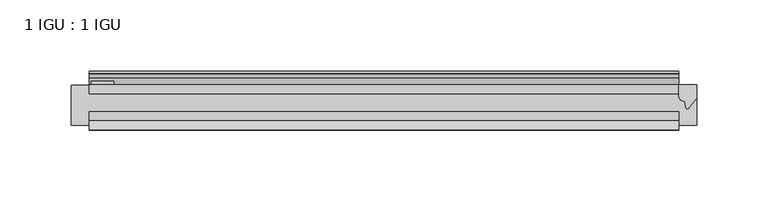
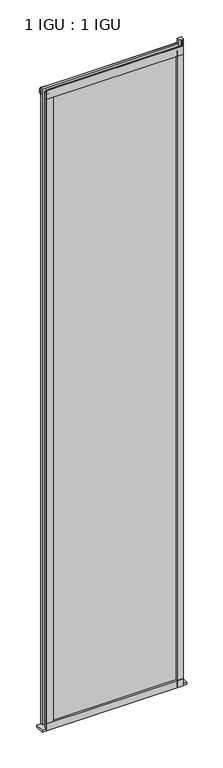
"""IFC4 building model written with IfcOpenShell, lengths in millimetres: plate geometry, 1 IGU : 1 IGU."""

from ifc_helpers import new_model, si_unit, point, frame, frame_2d, origin, place, context, project, spatial, polyline, circle_curve, trimmed, segment, composite_curve, outline, extrude, source, transform, mapped, element, save


def plate_1_igu_1_igu_85b8b6c7(model_context):
    return source(origin(), model_context, "Body", "SweptSolid", [
        extrude(outline(polyline([(206.8571651, 0.0021347), (206.8571651, -6.2992), (-206.8571651, -6.2992), (-206.8571651, 0.0021347), (206.8571651, 0.0021347)])), frame((0.0, 0.0, -19.05), z_axis=(0.0, 0.0, 1.0), x_axis=(1.0, 0.0, 0.0)), (0.0, 0.0, 1.0), 2036.7498001),
        extrude(outline(polyline([(-206.8571651, -19.0986653), (206.8571651, -19.0986653), (206.8571651, -25.3978653), (-206.8571651, -25.3978653), (-206.8571651, -19.0986653)])), frame((0.0, 0.0, -19.05), z_axis=(0.0, 0.0, 1.0), x_axis=(1.0, 0.0, 0.0)), (0.0, 0.0, 1.0), 2036.7498001),
        extrude(outline(composite_curve([segment(trimmed(circle_curve(frame_2d((10.9021792, -22.6833935)), 11.4916952), [point((0.0, -19.05))], [point((-0.2638007, -25.4))], True, "CARTESIAN"), True, "CONTINUOUS"), segment(polyline([(-0.2638007, -25.4), (-27.9952564, -25.4), (-27.9952564, -19.05), (0.0, -19.05)]), True, "CONTINUOUS")], self_intersect=False)), frame((-219.5571651, 0.0, 0.0), z_axis=(1.0, 0.0, 0.0), x_axis=(0.0, 1.0, 0.0)), (0.0, 0.0, 1.0), 439.1143303),
        extrude(outline(composite_curve([segment(polyline([(219.5571651, 0.0), (219.5571651, -9.7395025), (213.9909343, -16.3730781)]), True, "CONTINUOUS"), segment(trimmed(circle_curve(frame_2d((213.0372593, -15.7728374)), 1.1268473), [point((213.9909343, -16.3730781))], [point((211.9363064, -16.0130197))], False, "CARTESIAN"), True, "CONTINUOUS"), segment(polyline([(211.9363064, -16.0130197), (210.9561149, -11.7377885)]), True, "CONTINUOUS"), segment(trimmed(circle_curve(frame_2d((210.8286631, -7.7683362)), 3.9714979), [point((210.9561149, -11.7377885))], [point((206.8573437, -7.8060014))], False, "CARTESIAN"), True, "CONTINUOUS"), segment(polyline([(206.8573437, -7.8060014), (206.8573437, 0.0), (219.5571651, 0.0)]), True, "CONTINUOUS")], self_intersect=False)), frame((0.0, 0.0, -19.05), z_axis=(0.0, 0.0, 1.0), x_axis=(1.0, 0.0, 0.0)), (0.0, 0.0, 1.0), 2051.8374001),
        extrude(outline(composite_curve([segment(polyline([(-31.75, 0.0), (-25.4, 0.0), (-25.4, -22.225)]), True, "CONTINUOUS"), segment(trimmed(circle_curve(frame_2d((-28.575, -28.9113452)), 7.4018806), [point((-25.4, -22.225))], [point((-31.75, -22.225))], True, "CARTESIAN"), True, "CONTINUOUS"), segment(polyline([(-31.75, -22.225), (-31.75, 0.0)]), True, "CONTINUOUS")], self_intersect=False)), frame((-206.8571651, 0.0, 0.0), z_axis=(1.0, 0.0, 0.0), x_axis=(0.0, 1.0, 0.0)), (0.0, 0.0, 1.0), 413.7143303),
        extrude(outline(composite_curve([segment(trimmed(circle_curve(frame_2d((-23.3689302, 2041.8664901)), 40.3187601), [point((0.0, 2009.0108131))], [point((4.9746073, 2013.1916528))], True, "CARTESIAN"), True, "CONTINUOUS"), segment(trimmed(circle_curve(frame_2d((5.8674, 2012.2884246)), 1.27), [point((4.9746073, 2013.1916528))], [point((7.1374, 2012.2884246))], False, "CARTESIAN"), True, "CONTINUOUS"), segment(polyline([(7.1374, 2012.2884246), (7.1374, 2007.8876169), (7.7309478, 2005.6724663), (6.35, 2005.4379789), (6.35, 2000.2500001), (9.3980339, 2000.2500001), (9.3980339, 1998.8684051)]), True, "CONTINUOUS"), segment(trimmed(circle_curve(frame_2d((13.6593785, 1967.8551528)), 31.3046461), [point((9.3980339, 1998.8684051))], [point((0.0, 1996.0225498))], True, "CARTESIAN"), True, "CONTINUOUS"), segment(polyline([(0.0, 1996.0225498), (0.0, 2009.0108131)]), True, "CONTINUOUS")], self_intersect=False)), frame((-206.8571651, 0.0, 0.0), z_axis=(1.0, 0.0, 0.0), x_axis=(0.0, 1.0, 0.0)), (0.0, 0.0, 1.0), 413.7143303),
        extrude(outline(composite_curve([segment(polyline([(-25.4, 2025.6500001), (-25.4, 2000.2500001), (-31.75, 2000.2500001), (-31.75, 2028.4228974)]), True, "CONTINUOUS"), segment(trimmed(circle_curve(frame_2d((-24.1401272, 2037.1924116)), 11.6109665), [point((-31.75, 2028.4228974))], [point((-25.4, 2025.6500001))], True, "CARTESIAN"), True, "CONTINUOUS")], self_intersect=False)), frame((-206.8571651, 0.0, 0.0), z_axis=(1.0, 0.0, 0.0), x_axis=(0.0, 1.0, 0.0)), (0.0, 0.0, 1.0), 413.7143303),
        extrude(outline(composite_curve([segment(polyline([(187.8071651, -25.4), (206.8571651, -25.4)]), True, "CONTINUOUS"), segment(trimmed(circle_curve(frame_2d((216.3233158, -28.575)), 9.9844196), [point((206.8571651, -25.4))], [point((206.8571651, -31.75))], True, "CARTESIAN"), True, "CONTINUOUS"), segment(polyline([(206.8571651, -31.75), (187.8071651, -31.75), (187.8071651, -25.4)]), True, "CONTINUOUS")], self_intersect=False)), frame((0.0, 0.0, -19.05), z_axis=(0.0, 0.0, 1.0), x_axis=(1.0, 0.0, 0.0)), (0.0, 0.0, 1.0), 2036.7498001),
        extrude(outline(composite_curve([segment(trimmed(circle_curve(frame_2d((-216.3233158, -28.575)), 9.9844196), [point((-206.8571651, -31.75))], [point((-206.8571651, -25.4))], True, "CARTESIAN"), True, "CONTINUOUS"), segment(polyline([(-206.8571651, -25.4), (-187.8071651, -25.4), (-187.8071651, -31.75), (-206.8571651, -31.75)]), True, "CONTINUOUS")], self_intersect=False)), frame((0.0, 0.0, -19.05), z_axis=(0.0, 0.0, 1.0), x_axis=(1.0, 0.0, 0.0)), (0.0, 0.0, 1.0), 2036.7498001),
        extrude(outline(polyline([(-205.6506651, 0.0), (-205.6506651, 2.286), (-189.7756651, 2.286), (-189.7756651, 0.0), (-205.6506651, 0.0)])), frame((0.0, 0.0, -19.05), z_axis=(0.0, 0.0, 1.0), x_axis=(1.0, 0.0, 0.0)), (0.0, 0.0, 1.0), 2036.7498001),
    ])


if __name__ == "__main__":
    model = new_model("IFC4")
    model_context = context("Model", 3, world=origin())
    ifc_project = project(units=[si_unit("LENGTHUNIT", "METRE", prefix="MILLI")], contexts=[model_context])
    site = spatial("IfcSite", under=ifc_project)
    building = spatial("IfcBuilding", under=site)
    placement = place(None, origin())
    plate_1_igu_1_igu_shape = plate_1_igu_1_igu_85b8b6c7(model_context)
    element("IfcPlate", 1, ObjectType="1 IGU : 1 IGU", at=placement, inside=building, context=model_context, shape_type="MappedRepresentation", body=[
        mapped(plate_1_igu_1_igu_shape, transform((0.0, 0.0, 0.0), x_axis=(1.0, 0.0, 0.0), y_axis=(0.0, 1.0, 0.0), z_axis=(0.0, 0.0, 1.0))),
    ])
    save(model, "model.ifc")
